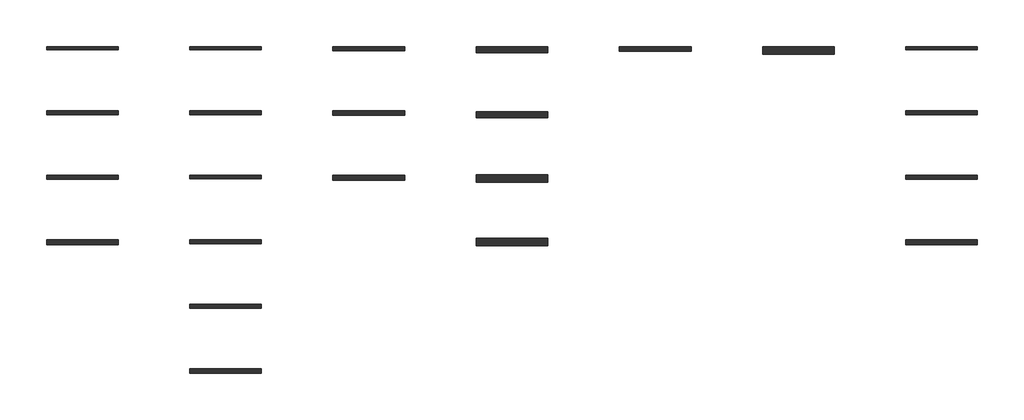
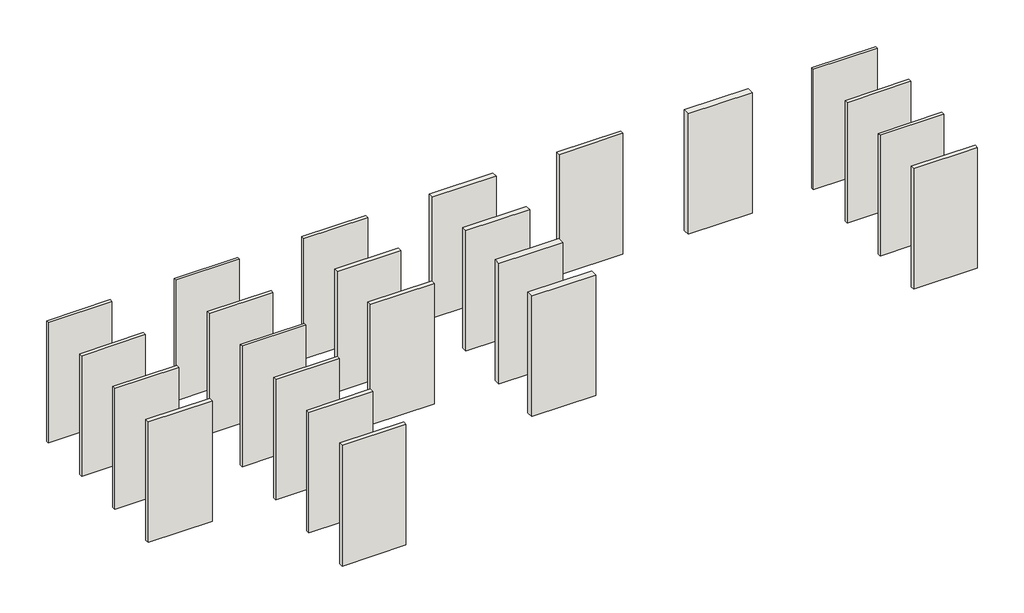
# One storey: 23 walls.
"""IFC4 building model written with IfcOpenShell, lengths in millimetres."""

from ifc_helpers import new_model, si_unit, origin, origin_with_axes, place, context, project, spatial, polyline, outline, extrude, element, save

model = new_model("IFC4")

# Units and contexts
model_context = context("Model", 3, world=origin())
ifc_project = project(units=[si_unit("LENGTHUNIT", "METRE", prefix="MILLI")], contexts=[model_context])

# Site, building, storey
site = spatial("IfcSite", under=ifc_project)
building = spatial("IfcBuilding", under=site)
storey = spatial("IfcBuildingStorey", under=building, Elevation=0.0)

# Walls
placement = place(None, origin())
element("IfcWall", 1, at=placement, inside=storey, context=model_context, shape_type="SweptSolid", body=[
    extrude(outline(polyline([(6000.0, -85.0), (4000.0, -85.0), (4000.0, 0.0), (6000.0, 0.0), (6000.0, -85.0)])), origin_with_axes(), (0.0, 0.0, 1.0), 4000.0),
])
element("IfcWall", 2, at=placement, inside=storey, context=model_context, shape_type="SweptSolid", body=[
    extrude(outline(polyline([(6000.0, -3696.0), (4000.0, -3696.0), (4000.0, -3600.0), (6000.0, -3600.0), (6000.0, -3696.0)])), origin_with_axes(), (0.0, 0.0, 1.0), 4000.0),
])
element("IfcWall", 3, at=placement, inside=storey, context=model_context, shape_type="SweptSolid", body=[
    extrude(outline(polyline([(6000.0, -1905.0), (4000.0, -1905.0), (4000.0, -1800.0), (6000.0, -1800.0), (6000.0, -1905.0)])), origin_with_axes(), (0.0, 0.0, 1.0), 4000.0),
])
element("IfcWall", 4, at=placement, inside=storey, context=model_context, shape_type="SweptSolid", body=[
    extrude(outline(polyline([(6000.0, -5510.0), (4000.0, -5510.0), (4000.0, -5400.0), (6000.0, -5400.0), (6000.0, -5510.0)])), origin_with_axes(), (0.0, 0.0, 1.0), 4000.0),
])
element("IfcWall", 5, at=placement, inside=storey, context=model_context, shape_type="SweptSolid", body=[
    extrude(outline(polyline([(14000.0, -170.0), (12000.0, -170.0), (12000.0, 0.0), (14000.0, 0.0), (14000.0, -170.0)])), origin_with_axes(), (0.0, 0.0, 1.0), 4000.0),
])
element("IfcWall", 6, at=placement, inside=storey, context=model_context, shape_type="SweptSolid", body=[
    extrude(outline(polyline([(10000.0, -120.0), (8000.0, -120.0), (8000.0, -10.0), (10000.0, -10.0), (10000.0, -120.0)])), origin_with_axes(), (0.0, 0.0, 1.0), 4000.0),
])
element("IfcWall", 7, at=placement, inside=storey, context=model_context, shape_type="SweptSolid", body=[
    extrude(outline(polyline([(14000.0, -1990.0), (12000.0, -1990.0), (12000.0, -1820.0), (14000.0, -1820.0), (14000.0, -1990.0)])), origin_with_axes(), (0.0, 0.0, 1.0), 4000.0),
])
element("IfcWall", 8, at=placement, inside=storey, context=model_context, shape_type="SweptSolid", body=[
    extrude(outline(polyline([(10000.0, -1920.0), (8000.0, -1920.0), (8000.0, -1790.0), (10000.0, -1790.0), (10000.0, -1920.0)])), origin_with_axes(), (0.0, 0.0, 1.0), 4000.0),
])
element("IfcWall", 9, at=placement, inside=storey, context=model_context, shape_type="SweptSolid", body=[
    extrude(outline(polyline([(14000.0, -3790.0), (12000.0, -3790.0), (12000.0, -3580.0), (14000.0, -3580.0), (14000.0, -3790.0)])), origin_with_axes(), (0.0, 0.0, 1.0), 4000.0),
])
element("IfcWall", 10, at=placement, inside=storey, context=model_context, shape_type="SweptSolid", body=[
    extrude(outline(polyline([(10000.0, -3730.0), (8000.0, -3730.0), (8000.0, -3600.0), (10000.0, -3600.0), (10000.0, -3730.0)])), origin_with_axes(), (0.0, 0.0, 1.0), 4000.0),
])
element("IfcWall", 11, at=placement, inside=storey, context=model_context, shape_type="SweptSolid", body=[
    extrude(outline(polyline([(18000.0, -130.0), (16000.0, -130.0), (16000.0, 0.0), (18000.0, 0.0), (18000.0, -130.0)])), origin_with_axes(), (0.0, 0.0, 1.0), 4000.0),
])
element("IfcWall", 12, at=placement, inside=storey, context=model_context, shape_type="SweptSolid", body=[
    extrude(outline(polyline([(22000.0, -215.0), (20000.0, -215.0), (20000.0, 0.0), (22000.0, 0.0), (22000.0, -215.0)])), origin_with_axes(), (0.0, 0.0, 1.0), 4000.0),
])
element("IfcWall", 13, at=placement, inside=storey, context=model_context, shape_type="SweptSolid", body=[
    extrude(outline(polyline([(6000.0, -7316.0), (4000.0, -7316.0), (4000.0, -7200.0), (6000.0, -7200.0), (6000.0, -7316.0)])), origin_with_axes(), (0.0, 0.0, 1.0), 4000.0),
])
element("IfcWall", 14, at=placement, inside=storey, context=model_context, shape_type="SweptSolid", body=[
    extrude(outline(polyline([(6000.0, -9130.0), (4000.0, -9130.0), (4000.0, -9000.0), (6000.0, -9000.0), (6000.0, -9130.0)])), origin_with_axes(), (0.0, 0.0, 1.0), 4000.0),
])
element("IfcWall", 15, at=placement, inside=storey, context=model_context, shape_type="SweptSolid", body=[
    extrude(outline(polyline([(14000.0, -5570.0), (12000.0, -5570.0), (12000.0, -5360.0), (14000.0, -5360.0), (14000.0, -5570.0)])), origin_with_axes(), (0.0, 0.0, 1.0), 4000.0),
])
element("IfcWall", 16, ObjectType="Wand-Holz-ESt-105-12,5", at=placement, inside=storey, context=model_context, shape_type="SweptSolid", body=[
    extrude(outline(polyline([(2000.0, -3705.0), (0.0, -3705.0), (0.0, -3600.0), (2000.0, -3600.0), (2000.0, -3705.0)])), origin_with_axes(), (0.0, 0.0, 1.0), 4000.0),
])
element("IfcWall", 17, ObjectType="Wand-Holz-ESt-105-12,5GF", at=placement, inside=storey, context=model_context, shape_type="SweptSolid", body=[
    extrude(outline(polyline([(26000.0, -3705.0), (24000.0, -3705.0), (24000.0, -3600.0), (26000.0, -3600.0), (26000.0, -3705.0)])), origin_with_axes(), (0.0, 0.0, 1.0), 4000.0),
])
element("IfcWall", 18, ObjectType="Wand-Holz-ESt-110-2x12,5", at=placement, inside=storey, context=model_context, shape_type="SweptSolid", body=[
    extrude(outline(polyline([(2000.0, -1910.0), (0.0, -1910.0), (0.0, -1800.0), (2000.0, -1800.0), (2000.0, -1910.0)])), origin_with_axes(), (0.0, 0.0, 1.0), 4000.0),
])
element("IfcWall", 19, ObjectType="Wand-Holz-ESt-110-2x12,5GF", at=placement, inside=storey, context=model_context, shape_type="SweptSolid", body=[
    extrude(outline(polyline([(26000.0, -1910.0), (24000.0, -1910.0), (24000.0, -1800.0), (26000.0, -1800.0), (26000.0, -1910.0)])), origin_with_axes(), (0.0, 0.0, 1.0), 4000.0),
])
element("IfcWall", 20, ObjectType="Wand-Holz-ESt-130-2x12,5", at=placement, inside=storey, context=model_context, shape_type="SweptSolid", body=[
    extrude(outline(polyline([(2000.0, -5530.0), (0.0, -5530.0), (0.0, -5400.0), (2000.0, -5400.0), (2000.0, -5530.0)])), origin_with_axes(), (0.0, 0.0, 1.0), 4000.0),
])
element("IfcWall", 21, ObjectType="Wand-Holz-ESt-130-2x12,5GF", at=placement, inside=storey, context=model_context, shape_type="SweptSolid", body=[
    extrude(outline(polyline([(26000.0, -5530.0), (24000.0, -5530.0), (24000.0, -5400.0), (26000.0, -5400.0), (26000.0, -5530.0)])), origin_with_axes(), (0.0, 0.0, 1.0), 4000.0),
])
element("IfcWall", 22, ObjectType="Wand-Holz-ESt-85-12,5", at=placement, inside=storey, context=model_context, shape_type="SweptSolid", body=[
    extrude(outline(polyline([(2000.0, -85.0), (0.0, -85.0), (0.0, 0.0), (2000.0, 0.0), (2000.0, -85.0)])), origin_with_axes(), (0.0, 0.0, 1.0), 4000.0),
])
element("IfcWall", 23, ObjectType="Wand-Holz-ESt-85-12,5GF", at=placement, inside=storey, context=model_context, shape_type="SweptSolid", body=[
    extrude(outline(polyline([(26000.0, -85.0), (24000.0, -85.0), (24000.0, 0.0), (26000.0, 0.0), (26000.0, -85.0)])), origin_with_axes(), (0.0, 0.0, 1.0), 4000.0),
])

save(model, "model.ifc")
